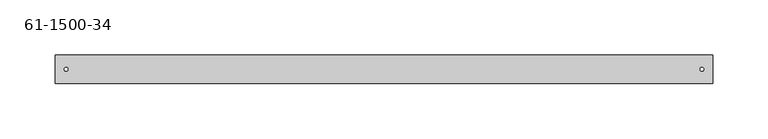
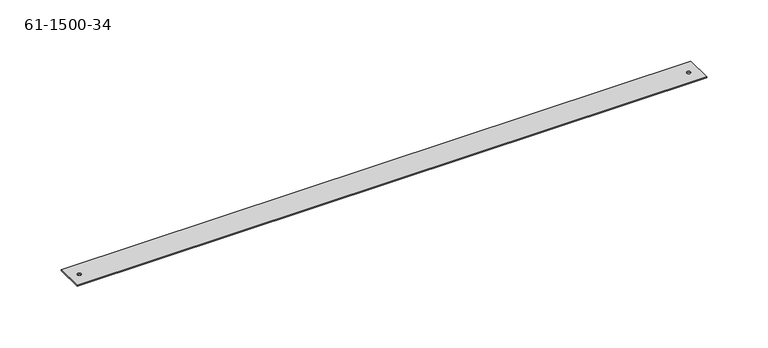
"""IFC4 building model written with IfcOpenShell, lengths in millimetres: proxy geometry, 61-1500-34."""

from ifc_helpers import new_model, si_unit, point, frame_2d, origin, origin_with_axes, place, context, project, spatial, polyline, circle_curve, trimmed, segment, composite_curve, outline, extrude, source, transform, mapped, element, save


def proxy_61_1500_34_a306576e(model_context):
    return source(origin(), model_context, "Body", "SweptSolid", [
        extrude(outline(polyline([(0.0, 0.0), (591.95208, 0.0), (591.95208, -25.4), (0.0, -25.4), (0.0, 0.0)]), holes=[composite_curve([segment(trimmed(circle_curve(frame_2d((9.525, -12.7)), 1.7145), [point((7.8105, -12.7))], [point((11.2395, -12.7))], True, "CARTESIAN"), True, "CONTINUOUS"), segment(trimmed(circle_curve(frame_2d((9.525, -12.7)), 1.7145), [point((11.2395, -12.7))], [point((7.8105, -12.7))], True, "CARTESIAN"), True, "CONTINUOUS")], self_intersect=False), composite_curve([segment(trimmed(circle_curve(frame_2d((582.42708, -12.7)), 1.7145), [point((580.71258, -12.7))], [point((584.14158, -12.7))], True, "CARTESIAN"), True, "CONTINUOUS"), segment(trimmed(circle_curve(frame_2d((582.42708, -12.7)), 1.7145), [point((584.14158, -12.7))], [point((580.71258, -12.7))], True, "CARTESIAN"), True, "CONTINUOUS")], self_intersect=False)]), origin_with_axes(), (0.0, 0.0, 1.0), 0.85344),
    ])


if __name__ == "__main__":
    model = new_model("IFC4")
    model_context = context("Model", 3, world=origin())
    ifc_project = project(units=[si_unit("LENGTHUNIT", "METRE", prefix="MILLI")], contexts=[model_context])
    site = spatial("IfcSite", under=ifc_project)
    building = spatial("IfcBuilding", under=site)
    placement = place(None, origin())
    proxy_61_1500_34_shape = proxy_61_1500_34_a306576e(model_context)
    element("IfcBuildingElementProxy", 1, Name="61-1500-34", ObjectType="61-1500-34", at=placement, inside=building, context=model_context, shape_type="MappedRepresentation", body=[
        mapped(proxy_61_1500_34_shape, transform((0.0, 0.0, 0.0), x_axis=(1.0, 0.0, 0.0), y_axis=(0.0, 1.0, 0.0), z_axis=(0.0, 0.0, 1.0))),
    ])
    save(model, "model.ifc")
